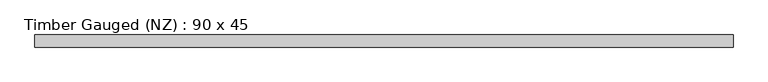
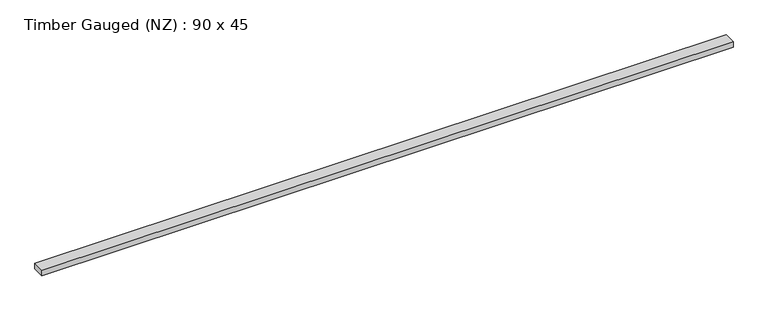
"""IFC4 building model written with IfcOpenShell, lengths in millimetres: beam geometry, Timber Gauged (NZ) : 90 x 45."""

from ifc_helpers import new_model, si_unit, frame, origin, place, context, project, spatial, polyline, outline, extrude, source, transform, mapped, element, save


def timber_gauged_nz_90_x_45_dd05bf35(model_context):
    return source(origin(), model_context, "Body", "SweptSolid", [
        extrude(outline(polyline([(2592.5, 45.0), (2592.5, -45.0), (-2592.5, -45.0), (-2592.5, 45.0), (2592.5, 45.0)])), frame((0.0, 0.0, -22.5), z_axis=(0.0, 0.0, 1.0), x_axis=(1.0, 0.0, 0.0)), (0.0, 0.0, 1.0), 45.0),
    ])


if __name__ == "__main__":
    model = new_model("IFC4")
    model_context = context("Model", 3, world=origin())
    ifc_project = project(units=[si_unit("LENGTHUNIT", "METRE", prefix="MILLI")], contexts=[model_context])
    site = spatial("IfcSite", under=ifc_project)
    building = spatial("IfcBuilding", under=site)
    placement = place(None, origin())
    timber_gauged_nz_90_x_45_shape = timber_gauged_nz_90_x_45_dd05bf35(model_context)
    element("IfcBeam", 1, ObjectType="Timber Gauged (NZ) : 90 x 45", at=placement, inside=building, context=model_context, shape_type="MappedRepresentation", body=[
        mapped(timber_gauged_nz_90_x_45_shape, transform((0.0, 0.0, 0.0), x_axis=(1.0, 0.0, 0.0), y_axis=(0.0, 1.0, 0.0), z_axis=(0.0, 0.0, 1.0))),
    ])
    save(model, "model.ifc")
